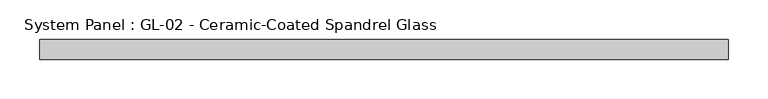
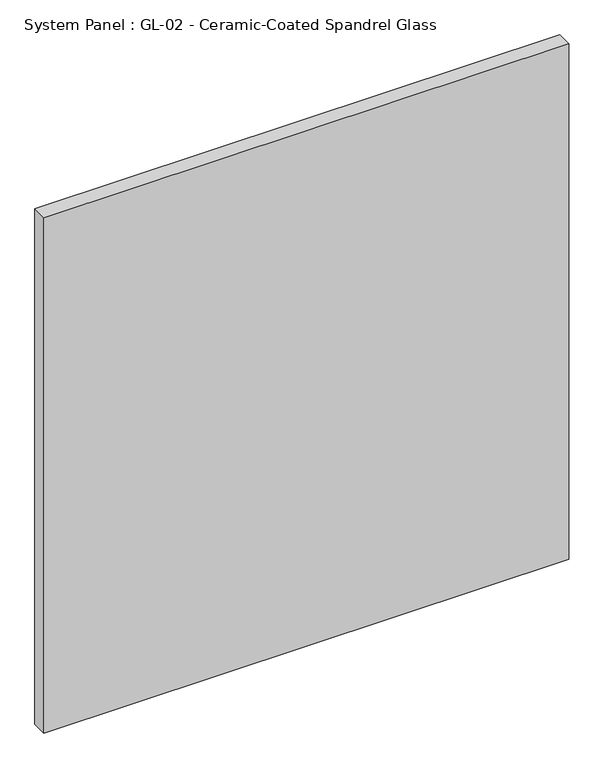
"""IFC4 building model written with IfcOpenShell, lengths in millimetres: plate geometry, System Panel : GL-02 - Ceramic-Coated Spandrel Glass."""

from ifc_helpers import new_model, si_unit, origin, origin_with_axes, place, context, project, spatial, polyline, outline, extrude, source, transform, mapped, element, save


def system_panel_gl_02_ceramic_coated_spandrel_glass_ef8a00bc(model_context):
    return source(origin(), model_context, "Body", "SweptSolid", [
        extrude(outline(polyline([(436.0333333, -44.45), (-436.0333333, -44.45), (-436.0333333, -19.05), (436.0333333, -19.05), (436.0333333, -44.45)])), origin_with_axes(), (0.0, 0.0, 1.0), 905.6076923),
    ])


if __name__ == "__main__":
    model = new_model("IFC4")
    model_context = context("Model", 3, world=origin())
    ifc_project = project(units=[si_unit("LENGTHUNIT", "METRE", prefix="MILLI")], contexts=[model_context])
    site = spatial("IfcSite", under=ifc_project)
    building = spatial("IfcBuilding", under=site)
    placement = place(None, origin())
    system_panel_gl_02_ceramic_coated_spandrel_glass_shape = system_panel_gl_02_ceramic_coated_spandrel_glass_ef8a00bc(model_context)
    element("IfcPlate", 1, ObjectType="System Panel : GL-02 - Ceramic-Coated Spandrel Glass", at=placement, inside=building, context=model_context, shape_type="MappedRepresentation", body=[
        mapped(system_panel_gl_02_ceramic_coated_spandrel_glass_shape, transform((0.0, 0.0, 0.0), x_axis=(1.0, 0.0, 0.0), y_axis=(0.0, 1.0, 0.0), z_axis=(0.0, 0.0, 1.0))),
    ])
    save(model, "model.ifc")
